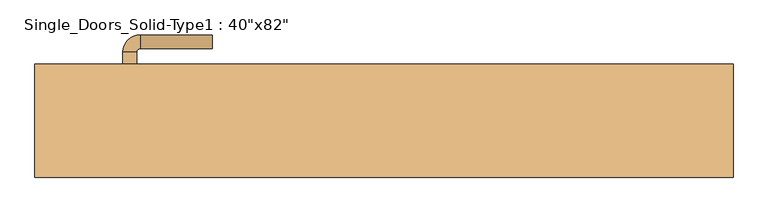
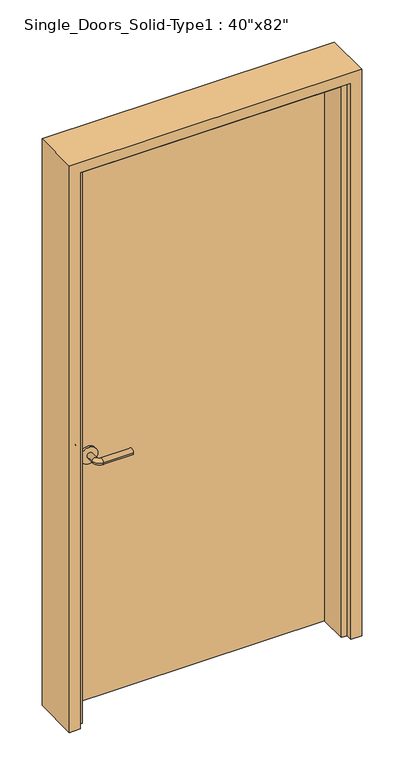
"""IFC4 building model written with IfcOpenShell, lengths in millimetres: door geometry."""

from ifc_helpers import new_model, si_unit, point, frame, frame_2d, origin, origin_with_axes, place, context, project, spatial, polyline, circle_curve, ellipse_curve, trimmed, segment, composite_curve, outline, extrude, faceted_brep, source, transform, mapped, element, save
from ifc_brep_helpers import plane_surface, cylinder_surface, revolved_surface, advanced_brep


def door_478c1f78(model_context):
    return source(origin(), model_context, "Body", "SolidModel", [
        advanced_brep(
        [(-379.9, 34.55, 900.0), (-359.9, 34.55, 900.0), (-359.9, 4.55, 900.0), (-379.9, 4.55, 900.0), (-354.9, -0.45, 900.0), (-354.9, -20.45, 900.0), (-249.9, -20.45, 900.0), (-249.9, -0.45, 900.0)],
        [
            (0, 1, circle_curve(frame((-369.9, 34.55, 900.0), z_axis=(0.0, 1.0, 0.0), x_axis=(1.0, 0.0, 0.0)), 10.0)),
            (1, 0, circle_curve(frame((-369.9, 34.55, 900.0), z_axis=(0.0, 1.0, 0.0), x_axis=(1.0, 0.0, 0.0)), 10.0)),
            (1, 2),
            (2, 3, circle_curve(frame((-369.9, 4.55, 900.0), z_axis=(0.0, 1.0, 0.0), x_axis=(1.0, 0.0, 0.0)), 10.0)),
            (3, 0),
            (3, 2, circle_curve(frame((-369.9, 4.55, 900.0), z_axis=(0.0, 1.0, 0.0), x_axis=(1.0, 0.0, 0.0)), 10.0)),
            (4, 5, circle_curve(frame((-354.9, -10.45, 900.0), z_axis=(-1.0, 0.0, 0.0), x_axis=(0.0, 1.0, 0.0)), 10.0)),
            (5, 3, circle_curve(frame((-354.9, 4.55, 900.0), z_axis=(0.0, 0.0, -1.0), x_axis=(-1.0, 0.0, 0.0)), 25.0)),
            (2, 4, circle_curve(frame((-354.9, 4.55, 900.0), z_axis=(0.0, 0.0, 1.0), x_axis=(-1.0, 0.0, 0.0)), 5.0)),
            (5, 4, circle_curve(frame((-354.9, -10.45, 900.0), z_axis=(-1.0, 0.0, 0.0), x_axis=(0.0, 1.0, 0.0)), 10.0)),
            (6, 7, circle_curve(frame((-249.9, -10.45, 900.0), z_axis=(1.0, 0.0, 0.0), x_axis=(0.0, 1.0, 0.0)), 10.0)),
            (7, 6, circle_curve(frame((-249.9, -10.45, 900.0), z_axis=(1.0, 0.0, 0.0), x_axis=(0.0, 1.0, 0.0)), 10.0)),
            (4, 7),
            (6, 5),
        ],
        [
            plane_surface(frame((-369.9, 34.55, 900.0), z_axis=(0.0, 1.0, 0.0), x_axis=(0.0, 0.0, 1.0))),
            cylinder_surface(frame((-369.9, 34.55, 900.0), z_axis=(0.0, 1.0, 0.0), x_axis=(1.0, 0.0, 0.0)), 10.0),
            revolved_surface(trimmed(ellipse_curve(frame((-369.9, 4.55, 900.0), z_axis=(0.0, -1.0, 0.0), x_axis=(1.0, 0.0, 0.0)), 10.0, 10.0), [point((-379.9, 4.55, 900.0))], [point((-359.9, 4.55, 900.0))], True, "CARTESIAN"), (-354.9, 4.55, 900.0), (0.0, 0.0, -1.0)),
            revolved_surface(trimmed(ellipse_curve(frame((-369.9, 4.55, 900.0), z_axis=(0.0, -1.0, 0.0), x_axis=(1.0, 0.0, 0.0)), 10.0, 10.0), [point((-359.9, 4.55, 900.0))], [point((-379.9, 4.55, 900.0))], True, "CARTESIAN"), (-354.9, 4.55, 900.0), (0.0, 0.0, -1.0)),
            plane_surface(frame((-249.9, -10.45, 900.0), z_axis=(1.0, 0.0, 0.0), x_axis=(0.0, 0.0, 1.0))),
            cylinder_surface(frame((-354.9, -10.45, 900.0), z_axis=(-1.0, 0.0, 0.0), x_axis=(0.0, 1.0, 0.0)), 10.0),
        ],
        [
            (0, [[1, 2]]),
            (1, [[3, 4, 5, -2]]),
            (1, [[-5, 6, -3, -1]]),
            (2, [[7, 8, -4, 9]]),
            (3, [[10, -9, -6, -8]]),
            (4, [[11, 12]]),
            (5, [[13, -11, 14, -7]]),
            (5, [[-14, -12, -13, -10]]),
        ],
    ),
        extrude(outline(composite_curve([segment(trimmed(circle_curve(frame_2d((900.0, -372.4)), 30.0), [point((900.0, -402.4))], [point((900.0, -342.4))], False, "CARTESIAN"), True, "CONTINUOUS"), segment(trimmed(circle_curve(frame_2d((900.0, -372.4)), 30.0), [point((900.0, -342.4))], [point((900.0, -402.4))], False, "CARTESIAN"), True, "CONTINUOUS")], self_intersect=False)), frame((0.0, 34.55, 0.0), z_axis=(0.0, 1.0, 0.0), x_axis=(0.0, 0.0, 1.0)), (0.0, 0.0, 1.0), 8.0),
        advanced_brep(
        [(-379.9, 70.55, 900.0), (-359.9, 70.55, 900.0), (-379.9, 100.55, 900.0), (-359.9, 100.55, 900.0), (-354.9, 105.55, 900.0), (-354.9, 125.55, 900.0), (-249.9, 125.55, 900.0), (-249.9, 105.55, 900.0)],
        [
            (0, 1, circle_curve(frame((-369.9, 70.55, 900.0), z_axis=(0.0, -1.0, 0.0), x_axis=(1.0, 0.0, 0.0)), 10.0)),
            (1, 0, circle_curve(frame((-369.9, 70.55, 900.0), z_axis=(0.0, -1.0, 0.0), x_axis=(1.0, 0.0, 0.0)), 10.0)),
            (0, 2),
            (2, 3, circle_curve(frame((-369.9, 100.55, 900.0), z_axis=(0.0, -1.0, 0.0), x_axis=(1.0, 0.0, 0.0)), 10.0)),
            (3, 1),
            (3, 2, circle_curve(frame((-369.9, 100.55, 900.0), z_axis=(0.0, -1.0, 0.0), x_axis=(1.0, 0.0, 0.0)), 10.0)),
            (4, 3, circle_curve(frame((-354.9, 100.55, 900.0), z_axis=(0.0, 0.0, 1.0), x_axis=(-1.0, 0.0, 0.0)), 5.0)),
            (2, 5, circle_curve(frame((-354.9, 100.55, 900.0), z_axis=(0.0, 0.0, -1.0), x_axis=(-1.0, 0.0, 0.0)), 25.0)),
            (5, 4, circle_curve(frame((-354.9, 115.55, 900.0), z_axis=(-1.0, 0.0, 0.0), x_axis=(0.0, -1.0, 0.0)), 10.0)),
            (4, 5, circle_curve(frame((-354.9, 115.55, 900.0), z_axis=(-1.0, 0.0, 0.0), x_axis=(0.0, -1.0, 0.0)), 10.0)),
            (6, 7, circle_curve(frame((-249.9, 115.55, 900.0), z_axis=(1.0, 0.0, 0.0), x_axis=(0.0, -1.0, 0.0)), 10.0)),
            (7, 6, circle_curve(frame((-249.9, 115.55, 900.0), z_axis=(1.0, 0.0, 0.0), x_axis=(0.0, -1.0, 0.0)), 10.0)),
            (5, 6),
            (7, 4),
        ],
        [
            plane_surface(frame((-369.9, 70.55, 900.0), z_axis=(0.0, -1.0, 0.0), x_axis=(0.0, 0.0, 1.0))),
            cylinder_surface(frame((-369.9, 70.55, 900.0), z_axis=(0.0, -1.0, 0.0), x_axis=(1.0, 0.0, 0.0)), 10.0),
            revolved_surface(trimmed(ellipse_curve(frame((-369.9, 100.55, 900.0), z_axis=(0.0, -1.0, 0.0), x_axis=(1.0, 0.0, 0.0)), 10.0, 10.0), [point((-379.9, 100.55, 900.0))], [point((-359.9, 100.55, 900.0))], True, "CARTESIAN"), (-354.9, 100.55, 900.0), (0.0, 0.0, -1.0)),
            revolved_surface(trimmed(ellipse_curve(frame((-369.9, 100.55, 900.0), z_axis=(0.0, -1.0, 0.0), x_axis=(1.0, 0.0, 0.0)), 10.0, 10.0), [point((-359.9, 100.55, 900.0))], [point((-379.9, 100.55, 900.0))], True, "CARTESIAN"), (-354.9, 100.55, 900.0), (0.0, 0.0, -1.0)),
            plane_surface(frame((-249.9, 115.55, 900.0), z_axis=(1.0, 0.0, 0.0), x_axis=(0.0, 0.0, 1.0))),
            cylinder_surface(frame((-354.9, 115.55, 900.0), z_axis=(-1.0, 0.0, 0.0), x_axis=(0.0, -1.0, 0.0)), 10.0),
        ],
        [
            (0, [[1, 2]]),
            (1, [[-1, 3, 4, 5]]),
            (1, [[-2, -5, 6, -3]]),
            (2, [[7, -4, 8, 9]]),
            (3, [[-8, -6, -7, 10]]),
            (4, [[11, 12]]),
            (5, [[-9, 13, -12, 14]]),
            (5, [[-10, -14, -11, -13]]),
        ],
    ),
        extrude(outline(composite_curve([segment(trimmed(circle_curve(frame_2d((900.0, -372.4)), 30.0), [point((900.0, -402.4))], [point((900.0, -342.4))], False, "CARTESIAN"), True, "CONTINUOUS"), segment(trimmed(circle_curve(frame_2d((900.0, -372.4)), 30.0), [point((900.0, -342.4))], [point((900.0, -402.4))], False, "CARTESIAN"), True, "CONTINUOUS")], self_intersect=False)), frame((0.0, 62.55, 0.0), z_axis=(0.0, 1.0, 0.0), x_axis=(0.0, 0.0, 1.0)), (0.0, 0.0, 1.0), 8.0),
        faceted_brep([(-508.0, -82.55, 0.0), (-508.0, 82.55, 0.0), (-469.9, 82.55, 0.0), (-469.9, 42.55, 0.0), (-449.9, 42.55, 0.0), (-449.9, -59.05, 0.0), (-469.9, -59.05, 0.0), (-469.9, -82.55, 0.0), (-508.0, -82.55, 2082.8), (-508.0, 82.55, 2082.8), (508.0, 82.55, 2082.8), (508.0, 82.55, 0.0), (469.9, 82.55, 0.0), (469.9, 82.55, 2044.7), (-469.9, 82.55, 2044.7), (-469.9, 42.55, 2044.7), (469.9, 42.55, 2044.7), (469.9, 42.55, 0.0), (449.9, 42.55, 0.0), (449.9, 42.55, 2024.7), (-449.9, 42.55, 2024.7), (-449.9, -59.05, 2024.7), (449.9, -59.05, 2024.7), (449.9, -59.05, 0.0), (469.9, -59.05, 0.0), (469.9, -59.05, 2044.7), (-469.9, -59.05, 2044.7), (-469.9, -82.55, 2044.7), (469.9, -82.55, 2044.7), (469.9, -82.55, 0.0), (508.0, -82.55, 0.0), (508.0, -82.55, 2082.8)], [[[0, 1, 2, 3, 4, 5, 6, 7]], [[1, 0, 8, 9]], [[2, 1, 9, 10, 11, 12, 13, 14]], [[3, 2, 14, 15]], [[4, 3, 15, 16, 17, 18, 19, 20]], [[5, 4, 20, 21]], [[6, 5, 21, 22, 23, 24, 25, 26]], [[7, 6, 26, 27]], [[0, 7, 27, 28, 29, 30, 31, 8]], [[10, 31, 30, 11]], [[30, 29, 24, 23, 18, 17, 12, 11]], [[16, 13, 12, 17]], [[22, 19, 18, 23]], [[28, 25, 24, 29]], [[9, 8, 31, 10]], [[15, 14, 13, 16]], [[21, 20, 19, 22]], [[27, 26, 25, 28]]]),
        extrude(outline(polyline([(469.9, 42.55), (-469.9, 42.55), (-469.9, 62.55), (469.9, 62.55), (469.9, 42.55)])), origin_with_axes(), (0.0, 0.0, 1.0), 2044.7),
    ])


if __name__ == "__main__":
    model = new_model("IFC4")
    model_context = context("Model", 3, world=origin())
    ifc_project = project(units=[si_unit("LENGTHUNIT", "METRE", prefix="MILLI")], contexts=[model_context])
    site = spatial("IfcSite", under=ifc_project)
    building = spatial("IfcBuilding", under=site)
    placement = place(None, origin())
    door_shape = door_478c1f78(model_context)
    element("IfcDoor", 1, ObjectType="Single_Doors_Solid-Type1 : 40\"x82\"", at=placement, inside=building, context=model_context, shape_type="MappedRepresentation", body=[
        mapped(door_shape, transform((0.0, 0.0, 0.0), x_axis=(1.0, 0.0, 0.0), y_axis=(0.0, 1.0, 0.0), z_axis=(0.0, 0.0, 1.0))),
    ])
    save(model, "model.ifc")
